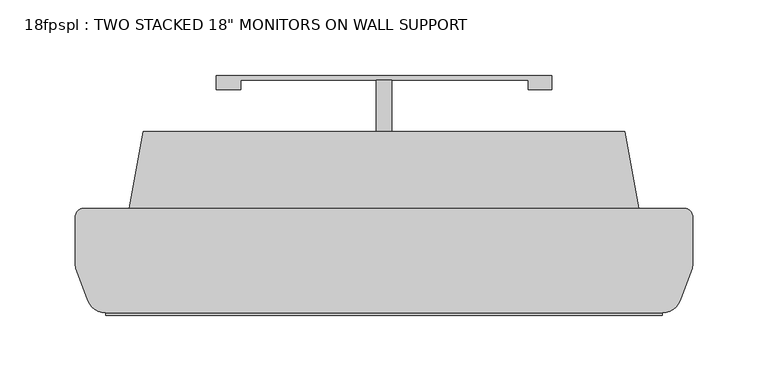
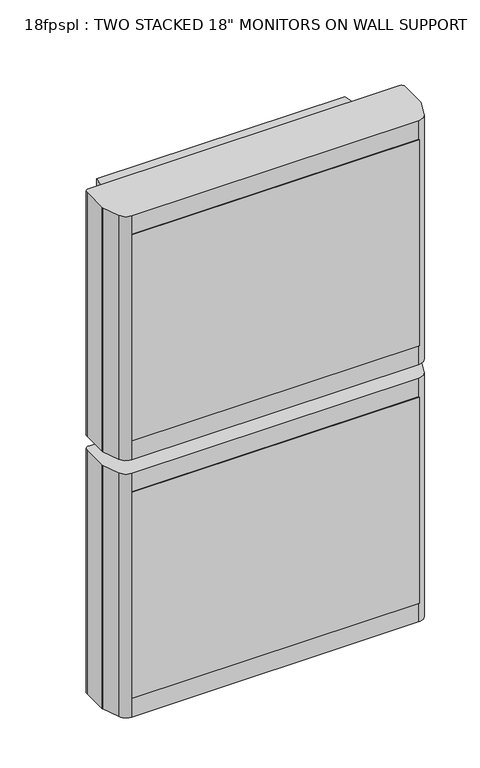
"""IFC4 building model written with IfcOpenShell, lengths in millimetres: proxy geometry."""

from ifc_helpers import new_model, si_unit, frame, origin, place, context, project, spatial, polyline, circle_curve, outline, extrude, source, transform, mapped, element, save
from ifc_brep_helpers import plane_surface, cylinder_surface, advanced_brep


def proxy_e3fafac6(model_context):
    return source(origin(), model_context, "Body", "SolidModel", [
        advanced_brep(
        [(203.9695169, 197.6902152, 1746.8736736), (-194.8104831, 197.6902152, 1746.8736736), (-199.8904831, 192.6102152, 1746.8736736), (-199.8904831, 159.8442152, 1746.8736736), (-199.574569, 158.0807285, 1746.8736736), (-191.6720008, 136.7318216, 1746.8736736), (-179.761786, 128.4405383, 1746.8736736), (188.9208199, 128.4405383, 1746.8736736), (200.8310347, 136.7318216, 1746.8736736), (208.7336029, 158.0807285, 1746.8736736), (209.0495169, 159.8442152, 1746.8736736), (209.0495169, 192.6102152, 1746.8736736), (-194.8104831, 197.6902152, 1416.05), (203.9695169, 197.6902152, 1416.05), (209.0495169, 192.6102152, 1416.05), (209.0495169, 159.8442152, 1416.05), (208.7336029, 158.0807285, 1416.05), (200.8310347, 136.7318216, 1416.05), (188.9208199, 128.4405383, 1416.05), (-179.761786, 128.4405383, 1416.05), (-191.6720008, 136.7318216, 1416.05), (-199.574569, 158.0807285, 1416.05), (-199.8904831, 159.8442152, 1416.05), (-199.8904831, 192.6102152, 1416.05), (-154.9324831, 248.7442152, 1715.2767501), (-154.9324831, 248.7442152, 1447.8946139), (-164.0764831, 197.6902152, 1447.8946139), (-164.0764831, 197.6902152, 1715.2767501), (173.2355169, 197.6902152, 1447.8946139), (173.2355169, 197.6902152, 1715.2767501), (164.0915169, 248.7442152, 1447.8946139), (164.0915169, 248.7442152, 1715.2767501)],
        [
            (0, 1),
            (1, 2, circle_curve(frame((-194.8104831, 192.6102152, 1746.8736736), z_axis=(0.0, 0.0, 1.0), x_axis=(-1.0, 0.0, 0.0)), 5.08)),
            (2, 3),
            (3, 4, circle_curve(frame((-194.8104831, 159.8442152, 1746.8736736), z_axis=(0.0, 0.0, 1.0), x_axis=(-1.0, 0.0, 0.0)), 5.08)),
            (4, 5),
            (5, 6, circle_curve(frame((-179.761786, 141.1405383, 1746.8736736), z_axis=(0.0, 0.0, 1.0), x_axis=(-1.0, 0.0, 0.0)), 12.7)),
            (6, 7),
            (7, 8, circle_curve(frame((188.9208199, 141.1405383, 1746.8736736), z_axis=(0.0, 0.0, 1.0), x_axis=(-1.0, 0.0, 0.0)), 12.7)),
            (8, 9),
            (9, 10, circle_curve(frame((203.9695169, 159.8442152, 1746.8736736), z_axis=(0.0, 0.0, 1.0), x_axis=(-1.0, 0.0, 0.0)), 5.08)),
            (10, 11),
            (11, 0, circle_curve(frame((203.9695169, 192.6102152, 1746.8736736), z_axis=(0.0, 0.0, 1.0), x_axis=(-1.0, 0.0, 0.0)), 5.08)),
            (12, 13),
            (13, 14, circle_curve(frame((203.9695169, 192.6102152, 1416.05), z_axis=(0.0, 0.0, -1.0), x_axis=(-1.0, 0.0, 0.0)), 5.08)),
            (14, 15),
            (15, 16, circle_curve(frame((203.9695169, 159.8442152, 1416.05), z_axis=(0.0, 0.0, -1.0), x_axis=(-1.0, 0.0, 0.0)), 5.08)),
            (16, 17),
            (17, 18, circle_curve(frame((188.9208199, 141.1405383, 1416.05), z_axis=(0.0, 0.0, -1.0), x_axis=(-1.0, 0.0, 0.0)), 12.7)),
            (18, 19),
            (19, 20, circle_curve(frame((-179.761786, 141.1405383, 1416.05), z_axis=(0.0, 0.0, -1.0), x_axis=(-1.0, 0.0, 0.0)), 12.7)),
            (20, 21),
            (21, 22, circle_curve(frame((-194.8104831, 159.8442152, 1416.05), z_axis=(0.0, 0.0, -1.0), x_axis=(-1.0, 0.0, 0.0)), 5.08)),
            (22, 23),
            (23, 12, circle_curve(frame((-194.8104831, 192.6102152, 1416.05), z_axis=(0.0, 0.0, -1.0), x_axis=(-1.0, 0.0, 0.0)), 5.08)),
            (24, 25),
            (25, 26),
            (26, 27),
            (27, 24),
            (0, 13),
            (12, 1),
            (26, 28),
            (28, 29),
            (29, 27),
            (23, 2),
            (22, 3),
            (21, 4),
            (20, 5),
            (19, 6),
            (18, 7),
            (17, 8),
            (16, 9),
            (15, 10),
            (14, 11),
            (28, 30),
            (30, 31),
            (31, 29),
            (24, 31),
            (30, 25),
        ],
        [
            plane_surface(frame((-154.9324831, 248.7442152, 1746.8736736), z_axis=(0.0, 0.0, 1.0), x_axis=(-0.1762991002831067, -0.9843366432473024, 0.0))),
            plane_surface(frame((-154.9324831, 248.7442152, 1416.05), z_axis=(0.0, 0.0, -1.0), x_axis=(0.1762991002831067, 0.9843366432473024, 0.0))),
            plane_surface(frame((-154.9324831, 248.7442152, 1746.8736736), z_axis=(-0.9843366432473024, 0.1762991002831067, 0.0), x_axis=(0.0, 0.0, -1.0))),
            plane_surface(frame((-164.0764831, 197.6902152, 1746.8736736), z_axis=(0.0, 1.0, 0.0), x_axis=(0.0, 0.0, -1.0))),
            cylinder_surface(frame((-194.8104831, 192.6102152, 1416.05), z_axis=(0.0, 0.0, 1.0), x_axis=(-1.0, 0.0, 0.0)), 5.08),
            plane_surface(frame((-199.8904831, 192.6102152, 1746.8736736), z_axis=(-1.0, 0.0, 0.0), x_axis=(0.0, 0.0, -1.0))),
            cylinder_surface(frame((-194.8104831, 159.8442152, 1416.05), z_axis=(0.0, 0.0, 1.0), x_axis=(-1.0, 0.0, 0.0)), 5.08),
            plane_surface(frame((-199.574569, 158.0807285, 1746.8736736), z_axis=(-0.9378121887423232, -0.34714305213605123, 0.0), x_axis=(0.0, 0.0, -1.0))),
            cylinder_surface(frame((-179.761786, 141.1405383, 1416.05), z_axis=(0.0, 0.0, 1.0), x_axis=(-1.0, 0.0, 0.0)), 12.7),
            plane_surface(frame((-179.761786, 128.4405383, 1746.8736736), z_axis=(0.0, -1.0, 0.0), x_axis=(0.0, 0.0, -1.0))),
            cylinder_surface(frame((188.9208199, 141.1405383, 1416.05), z_axis=(0.0, 0.0, 1.0), x_axis=(-1.0, 0.0, 0.0)), 12.7),
            plane_surface(frame((200.8310347, 136.7318216, 1746.8736736), z_axis=(0.937812188742239, -0.34714305213627883, 0.0), x_axis=(0.0, 0.0, -1.0))),
            cylinder_surface(frame((203.9695169, 159.8442152, 1416.05), z_axis=(0.0, 0.0, 1.0), x_axis=(-1.0, 0.0, 0.0)), 5.08),
            plane_surface(frame((209.0495169, 159.8442152, 1746.8736736), z_axis=(1.0, 0.0, 0.0), x_axis=(0.0, 0.0, -1.0))),
            cylinder_surface(frame((203.9695169, 192.6102152, 1416.05), z_axis=(0.0, 0.0, 1.0), x_axis=(-1.0, 0.0, 0.0)), 5.08),
            plane_surface(frame((173.2355169, 197.6902152, 1746.8736736), z_axis=(0.9843366432472832, 0.17629910028321383, 0.0), x_axis=(0.0, 0.0, -1.0))),
            plane_surface(frame((164.0915169, 248.7442152, 1746.8736736), z_axis=(0.0, 1.0, 0.0), x_axis=(0.0, 0.0, -1.0))),
            plane_surface(frame((173.2355169, 248.7442152, 1715.2767501), z_axis=(0.0, 0.0, 1.0), x_axis=(0.0, -1.0, 0.0))),
            plane_surface(frame((-164.0764831, 248.7442152, 1447.8946139), z_axis=(0.0, 0.0, -1.0), x_axis=(0.0, -1.0, 0.0))),
        ],
        [
            (0, [[1, 2, 3, 4, 5, 6, 7, 8, 9, 10, 11, 12]]),
            (1, [[13, 14, 15, 16, 17, 18, 19, 20, 21, 22, 23, 24]]),
            (2, [[25, 26, 27, 28]]),
            (3, [[29, -13, 30, -1], [31, 32, 33, -27]]),
            (4, [[-2, -30, -24, 34]]),
            (5, [[-3, -34, -23, 35]]),
            (6, [[-4, -35, -22, 36]]),
            (7, [[-5, -36, -21, 37]]),
            (8, [[-6, -37, -20, 38]]),
            (9, [[-7, -38, -19, 39]]),
            (10, [[-8, -39, -18, 40]]),
            (11, [[-9, -40, -17, 41]]),
            (12, [[-10, -41, -16, 42]]),
            (13, [[-11, -42, -15, 43]]),
            (14, [[-12, -43, -14, -29]]),
            (15, [[-32, 44, 45, 46]]),
            (16, [[-25, 47, -45, 48]]),
            (17, [[-33, -46, -47, -28]]),
            (18, [[-31, -26, -48, -44]]),
        ],
    ),
        extrude(outline(polyline([(-179.761786, 139.2166957), (188.9208199, 139.2166957), (188.9208199, 126.8530383), (-179.761786, 126.8530383), (-179.761786, 139.2166957)])), frame((0.0, 0.0, 1442.5202929), z_axis=(0.0, 0.0, 1.0), x_axis=(1.0, 0.0, 0.0)), (0.0, 0.0, 1.0), 279.4),
        extrude(outline(polyline([(9.6595169, 283.0607253), (9.6595169, 248.7442152), (-0.5004831, 248.7442152), (-0.5004831, 283.0607253), (9.6595169, 283.0607253)])), frame((0.0, 0.0, 1315.4174753), z_axis=(0.0, 0.0, 1.0), x_axis=(1.0, 0.0, 0.0)), (0.0, 0.0, 1.0), 200.66),
        advanced_brep(
        [(203.9695169, 197.6902152, 1397.6236736), (-194.8104831, 197.6902152, 1397.6236736), (-199.8904831, 192.6102152, 1397.6236736), (-199.8904831, 159.8442152, 1397.6236736), (-199.574569, 158.0807285, 1397.6236736), (-191.6720008, 136.7318216, 1397.6236736), (-179.761786, 128.4405383, 1397.6236736), (188.9208199, 128.4405383, 1397.6236736), (200.8310347, 136.7318216, 1397.6236736), (208.7336029, 158.0807285, 1397.6236736), (209.0495169, 159.8442152, 1397.6236736), (209.0495169, 192.6102152, 1397.6236736), (-194.8104831, 197.6902152, 1066.8), (203.9695169, 197.6902152, 1066.8), (209.0495169, 192.6102152, 1066.8), (209.0495169, 159.8442152, 1066.8), (208.7336029, 158.0807285, 1066.8), (200.8310347, 136.7318216, 1066.8), (188.9208199, 128.4405383, 1066.8), (-179.761786, 128.4405383, 1066.8), (-191.6720008, 136.7318216, 1066.8), (-199.574569, 158.0807285, 1066.8), (-199.8904831, 159.8442152, 1066.8), (-199.8904831, 192.6102152, 1066.8), (-154.9324831, 248.7442152, 1366.0267501), (-154.9324831, 248.7442152, 1098.6446139), (-164.0764831, 197.6902152, 1098.6446139), (-164.0764831, 197.6902152, 1366.0267501), (173.2355169, 197.6902152, 1098.6446139), (173.2355169, 197.6902152, 1366.0267501), (164.0915169, 248.7442152, 1098.6446139), (164.0915169, 248.7442152, 1366.0267501)],
        [
            (0, 1),
            (1, 2, circle_curve(frame((-194.8104831, 192.6102152, 1397.6236736), z_axis=(0.0, 0.0, 1.0), x_axis=(-1.0, 0.0, 0.0)), 5.08)),
            (2, 3),
            (3, 4, circle_curve(frame((-194.8104831, 159.8442152, 1397.6236736), z_axis=(0.0, 0.0, 1.0), x_axis=(-1.0, 0.0, 0.0)), 5.08)),
            (4, 5),
            (5, 6, circle_curve(frame((-179.761786, 141.1405383, 1397.6236736), z_axis=(0.0, 0.0, 1.0), x_axis=(-1.0, 0.0, 0.0)), 12.7)),
            (6, 7),
            (7, 8, circle_curve(frame((188.9208199, 141.1405383, 1397.6236736), z_axis=(0.0, 0.0, 1.0), x_axis=(-1.0, 0.0, 0.0)), 12.7)),
            (8, 9),
            (9, 10, circle_curve(frame((203.9695169, 159.8442152, 1397.6236736), z_axis=(0.0, 0.0, 1.0), x_axis=(-1.0, 0.0, 0.0)), 5.08)),
            (10, 11),
            (11, 0, circle_curve(frame((203.9695169, 192.6102152, 1397.6236736), z_axis=(0.0, 0.0, 1.0), x_axis=(-1.0, 0.0, 0.0)), 5.08)),
            (12, 13),
            (13, 14, circle_curve(frame((203.9695169, 192.6102152, 1066.8), z_axis=(0.0, 0.0, -1.0), x_axis=(-1.0, 0.0, 0.0)), 5.08)),
            (14, 15),
            (15, 16, circle_curve(frame((203.9695169, 159.8442152, 1066.8), z_axis=(0.0, 0.0, -1.0), x_axis=(-1.0, 0.0, 0.0)), 5.08)),
            (16, 17),
            (17, 18, circle_curve(frame((188.9208199, 141.1405383, 1066.8), z_axis=(0.0, 0.0, -1.0), x_axis=(-1.0, 0.0, 0.0)), 12.7)),
            (18, 19),
            (19, 20, circle_curve(frame((-179.761786, 141.1405383, 1066.8), z_axis=(0.0, 0.0, -1.0), x_axis=(-1.0, 0.0, 0.0)), 12.7)),
            (20, 21),
            (21, 22, circle_curve(frame((-194.8104831, 159.8442152, 1066.8), z_axis=(0.0, 0.0, -1.0), x_axis=(-1.0, 0.0, 0.0)), 5.08)),
            (22, 23),
            (23, 12, circle_curve(frame((-194.8104831, 192.6102152, 1066.8), z_axis=(0.0, 0.0, -1.0), x_axis=(-1.0, 0.0, 0.0)), 5.08)),
            (24, 25),
            (25, 26),
            (26, 27),
            (27, 24),
            (0, 13),
            (12, 1),
            (26, 28),
            (28, 29),
            (29, 27),
            (23, 2),
            (22, 3),
            (21, 4),
            (20, 5),
            (19, 6),
            (18, 7),
            (17, 8),
            (16, 9),
            (15, 10),
            (14, 11),
            (28, 30),
            (30, 31),
            (31, 29),
            (24, 31),
            (30, 25),
        ],
        [
            plane_surface(frame((-154.9324831, 248.7442152, 1397.6236736), z_axis=(0.0, 0.0, 1.0), x_axis=(-0.1762991002831067, -0.9843366432473024, 0.0))),
            plane_surface(frame((-154.9324831, 248.7442152, 1066.8), z_axis=(0.0, 0.0, -1.0), x_axis=(0.1762991002831067, 0.9843366432473024, 0.0))),
            plane_surface(frame((-154.9324831, 248.7442152, 1397.6236736), z_axis=(-0.9843366432473024, 0.1762991002831067, 0.0), x_axis=(0.0, 0.0, -1.0))),
            plane_surface(frame((-164.0764831, 197.6902152, 1397.6236736), z_axis=(0.0, 1.0, 0.0), x_axis=(0.0, 0.0, -1.0))),
            cylinder_surface(frame((-194.8104831, 192.6102152, 1066.8), z_axis=(0.0, 0.0, 1.0), x_axis=(-1.0, 0.0, 0.0)), 5.08),
            plane_surface(frame((-199.8904831, 192.6102152, 1397.6236736), z_axis=(-1.0, 0.0, 0.0), x_axis=(0.0, 0.0, -1.0))),
            cylinder_surface(frame((-194.8104831, 159.8442152, 1066.8), z_axis=(0.0, 0.0, 1.0), x_axis=(-1.0, 0.0, 0.0)), 5.08),
            plane_surface(frame((-199.574569, 158.0807285, 1397.6236736), z_axis=(-0.9378121887423232, -0.34714305213605123, 0.0), x_axis=(0.0, 0.0, -1.0))),
            cylinder_surface(frame((-179.761786, 141.1405383, 1066.8), z_axis=(0.0, 0.0, 1.0), x_axis=(-1.0, 0.0, 0.0)), 12.7),
            plane_surface(frame((-179.761786, 128.4405383, 1397.6236736), z_axis=(0.0, -1.0, 0.0), x_axis=(0.0, 0.0, -1.0))),
            cylinder_surface(frame((188.9208199, 141.1405383, 1066.8), z_axis=(0.0, 0.0, 1.0), x_axis=(-1.0, 0.0, 0.0)), 12.7),
            plane_surface(frame((200.8310347, 136.7318216, 1397.6236736), z_axis=(0.937812188742239, -0.34714305213627883, 0.0), x_axis=(0.0, 0.0, -1.0))),
            cylinder_surface(frame((203.9695169, 159.8442152, 1066.8), z_axis=(0.0, 0.0, 1.0), x_axis=(-1.0, 0.0, 0.0)), 5.08),
            plane_surface(frame((209.0495169, 159.8442152, 1397.6236736), z_axis=(1.0, 0.0, 0.0), x_axis=(0.0, 0.0, -1.0))),
            cylinder_surface(frame((203.9695169, 192.6102152, 1066.8), z_axis=(0.0, 0.0, 1.0), x_axis=(-1.0, 0.0, 0.0)), 5.08),
            plane_surface(frame((173.2355169, 197.6902152, 1397.6236736), z_axis=(0.9843366432472832, 0.17629910028321383, 0.0), x_axis=(0.0, 0.0, -1.0))),
            plane_surface(frame((164.0915169, 248.7442152, 1397.6236736), z_axis=(0.0, 1.0, 0.0), x_axis=(0.0, 0.0, -1.0))),
            plane_surface(frame((173.2355169, 248.7442152, 1366.0267501), z_axis=(0.0, 0.0, 1.0), x_axis=(0.0, -1.0, 0.0))),
            plane_surface(frame((-164.0764831, 248.7442152, 1098.6446139), z_axis=(0.0, 0.0, -1.0), x_axis=(0.0, -1.0, 0.0))),
        ],
        [
            (0, [[1, 2, 3, 4, 5, 6, 7, 8, 9, 10, 11, 12]]),
            (1, [[13, 14, 15, 16, 17, 18, 19, 20, 21, 22, 23, 24]]),
            (2, [[25, 26, 27, 28]]),
            (3, [[29, -13, 30, -1], [31, 32, 33, -27]]),
            (4, [[-2, -30, -24, 34]]),
            (5, [[-3, -34, -23, 35]]),
            (6, [[-4, -35, -22, 36]]),
            (7, [[-5, -36, -21, 37]]),
            (8, [[-6, -37, -20, 38]]),
            (9, [[-7, -38, -19, 39]]),
            (10, [[-8, -39, -18, 40]]),
            (11, [[-9, -40, -17, 41]]),
            (12, [[-10, -41, -16, 42]]),
            (13, [[-11, -42, -15, 43]]),
            (14, [[-12, -43, -14, -29]]),
            (15, [[-32, 44, 45, 46]]),
            (16, [[-25, 47, -45, 48]]),
            (17, [[-33, -46, -47, -28]]),
            (18, [[-31, -26, -48, -44]]),
        ],
    ),
        extrude(outline(polyline([(-106.5454831, 286.0541477), (115.7045169, 286.0541477), (115.7045169, 276.7107253), (100.0561074, 276.7107253), (100.0561074, 283.0607253), (-90.4438926, 283.0607253), (-90.4438926, 276.7107253), (-106.5454831, 276.7107253), (-106.5454831, 286.0541477)])), frame((0.0, 0.0, 1315.4174753), z_axis=(0.0, 0.0, 1.0), x_axis=(1.0, 0.0, 0.0)), (0.0, 0.0, 1.0), 200.66),
        extrude(outline(polyline([(-179.761786, 139.2166957), (188.9208199, 139.2166957), (188.9208199, 126.8530383), (-179.761786, 126.8530383), (-179.761786, 139.2166957)])), frame((0.0, 0.0, 1093.2702929), z_axis=(0.0, 0.0, 1.0), x_axis=(1.0, 0.0, 0.0)), (0.0, 0.0, 1.0), 279.4),
    ])


if __name__ == "__main__":
    model = new_model("IFC4")
    model_context = context("Model", 3, world=origin())
    ifc_project = project(units=[si_unit("LENGTHUNIT", "METRE", prefix="MILLI")], contexts=[model_context])
    site = spatial("IfcSite", under=ifc_project)
    building = spatial("IfcBuilding", under=site)
    placement = place(None, origin())
    proxy_shape = proxy_e3fafac6(model_context)
    element("IfcBuildingElementProxy", 1, Name="18fpspl : TWO STACKED 18\" MONITORS ON WALL SUPPORT", ObjectType="18fpspl : TWO STACKED 18\" MONITORS ON WALL SUPPORT", at=placement, inside=building, context=model_context, shape_type="MappedRepresentation", body=[
        mapped(proxy_shape, transform((0.0, 0.0, 0.0), x_axis=(1.0, 0.0, 0.0), y_axis=(0.0, 1.0, 0.0), z_axis=(0.0, 0.0, 1.0))),
    ])
    save(model, "model.ifc")
